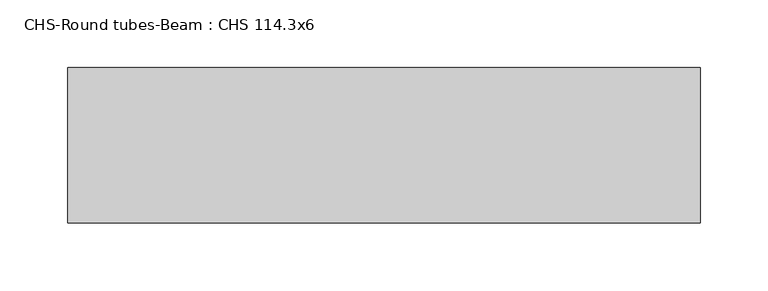
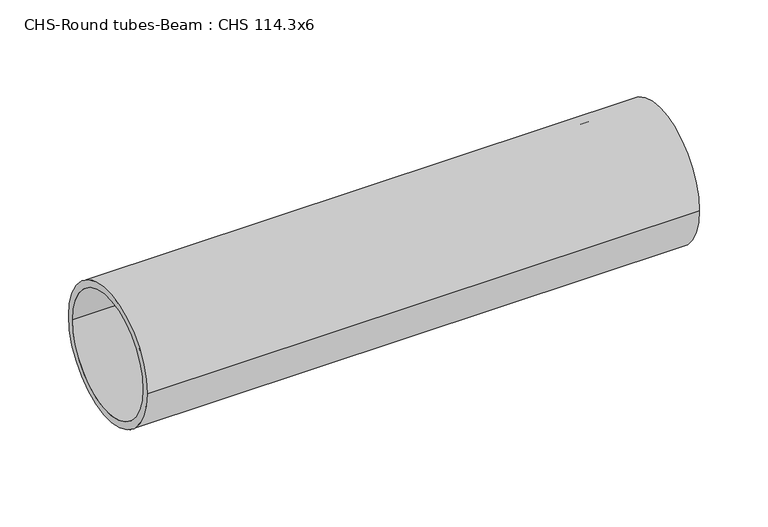
"""IFC4 building model written with IfcOpenShell, lengths in millimetres: beam geometry, CHS-Round tubes-Beam : CHS 114.3x6."""

from ifc_helpers import new_model, si_unit, point, frame, origin, origin_2d, place, context, project, spatial, circle_curve, trimmed, segment, composite_curve, outline, extrude, source, transform, mapped, element, save


def chs_round_tubes_beam_chs_114_3x6_16d5fd81(model_context):
    return source(origin(), model_context, "Body", "SweptSolid", [
        extrude(outline(composite_curve([segment(trimmed(circle_curve(origin_2d(), 57.15), [point((57.15, 0.0))], [point((-57.15, 0.0))], False, "CARTESIAN"), True, "CONTINUOUS"), segment(trimmed(circle_curve(origin_2d(), 57.15), [point((-57.15, 0.0))], [point((57.15, 0.0))], False, "CARTESIAN"), True, "CONTINUOUS")], self_intersect=False), holes=[composite_curve([segment(trimmed(circle_curve(origin_2d(), 51.15), [point((51.15, 0.0))], [point((-51.15, 0.0))], True, "CARTESIAN"), True, "CONTINUOUS"), segment(trimmed(circle_curve(origin_2d(), 51.15), [point((-51.15, 0.0))], [point((51.15, 0.0))], True, "CARTESIAN"), True, "CONTINUOUS")], self_intersect=False)]), frame((-342.4895265, 0.0, 0.0), z_axis=(1.0, 0.0, 0.0), x_axis=(0.0, 1.0, 0.0)), (0.0, 0.0, 1.0), 464.8198629),
    ])


if __name__ == "__main__":
    model = new_model("IFC4")
    model_context = context("Model", 3, world=origin())
    ifc_project = project(units=[si_unit("LENGTHUNIT", "METRE", prefix="MILLI")], contexts=[model_context])
    site = spatial("IfcSite", under=ifc_project)
    building = spatial("IfcBuilding", under=site)
    placement = place(None, origin())
    chs_round_tubes_beam_chs_114_3x6_shape = chs_round_tubes_beam_chs_114_3x6_16d5fd81(model_context)
    element("IfcBeam", 1, ObjectType="CHS-Round tubes-Beam : CHS 114.3x6", at=placement, inside=building, context=model_context, shape_type="MappedRepresentation", body=[
        mapped(chs_round_tubes_beam_chs_114_3x6_shape, transform((0.0, 0.0, 0.0), x_axis=(1.0, 0.0, 0.0), y_axis=(0.0, 1.0, 0.0), z_axis=(0.0, 0.0, 1.0))),
    ])
    save(model, "model.ifc")
